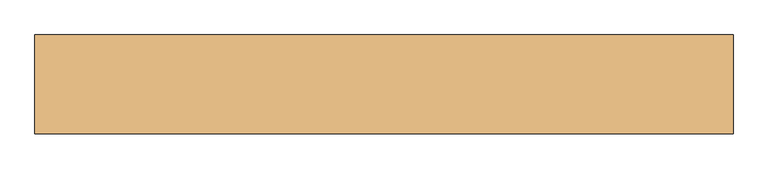
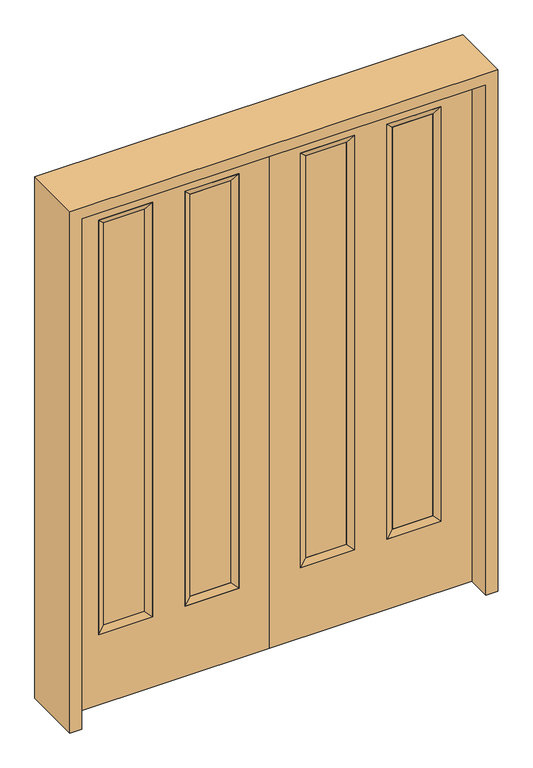
"""IFC4 building model written with IfcOpenShell, lengths in millimetres: door geometry."""

from ifc_helpers import new_model, si_unit, frame, origin, place, context, project, spatial, polyline, outline, extrude, faceted_brep, source, transform, mapped, element, save


def door_18f3f004(model_context):
    return source(origin(), model_context, "Body", "SolidModel", [
        extrude(outline(polyline([(467.614, -12.7039749), (467.614, 14.2875), (620.014, 14.2875), (620.014, -12.7039749), (467.614, -12.7039749)])), frame((0.0, 0.0, 304.8), z_axis=(0.0, 0.0, 1.0), x_axis=(1.0, 0.0, 0.0)), (0.0, 0.0, 1.0), 1600.2),
        extrude(outline(polyline([(141.986, -12.7039749), (141.986, 14.2875), (294.386, 14.2875), (294.386, -12.7039749), (141.986, -12.7039749)])), frame((0.0, 0.0, 304.8), z_axis=(0.0, 0.0, 1.0), x_axis=(1.0, 0.0, 0.0)), (0.0, 0.0, 1.0), 1600.2),
        faceted_brep([(116.586, 22.225, 1930.4), (319.786, 22.225, 1930.4), (294.386, 14.2875, 1905.0), (141.986, 14.2875, 1905.0), (294.386, -12.7039749, 1905.0), (141.986, -12.7039749, 1905.0), (319.786, -22.225, 1930.4), (116.586, -22.225, 1930.4), (319.786, 22.225, 279.4), (294.386, 14.2875, 304.8), (294.386, -12.7039749, 304.8), (319.786, -22.225, 279.4), (116.586, 22.225, 279.4), (141.986, 14.2875, 304.8), (141.986, -12.7039749, 304.8), (116.586, -22.225, 279.4)], [[[0, 1, 2, 3]], [[3, 2, 4, 5]], [[5, 4, 6, 7]], [[7, 6, 1, 0]], [[1, 8, 9, 2]], [[2, 9, 10, 4]], [[4, 10, 11, 6]], [[6, 11, 8, 1]], [[8, 12, 13, 9]], [[9, 13, 14, 10]], [[10, 14, 15, 11]], [[11, 15, 12, 8]], [[12, 0, 3, 13]], [[13, 3, 5, 14]], [[14, 5, 7, 15]], [[15, 7, 0, 12]]]),
        faceted_brep([(620.014, 14.2875, 1905.0), (467.614, 14.2875, 1905.0), (442.214, 22.225, 1930.4), (645.414, 22.225, 1930.4), (620.014, -12.7039749, 1905.0), (467.614, -12.7039749, 1905.0), (645.414, -22.225, 1930.4), (442.214, -22.225, 1930.4), (467.614, 14.2875, 304.8), (442.214, 22.225, 279.4), (467.614, -12.7039749, 304.8), (442.214, -22.225, 279.4), (620.014, 14.2875, 304.8), (645.414, 22.225, 279.4), (620.014, -12.7039749, 304.8), (645.414, -22.225, 279.4)], [[[0, 1, 2, 3]], [[4, 5, 1, 0]], [[6, 7, 5, 4]], [[3, 2, 7, 6]], [[1, 8, 9, 2]], [[5, 10, 8, 1]], [[7, 11, 10, 5]], [[2, 9, 11, 7]], [[8, 12, 13, 9]], [[10, 14, 12, 8]], [[11, 15, 14, 10]], [[9, 13, 15, 11]], [[12, 0, 3, 13]], [[14, 4, 0, 12]], [[15, 6, 4, 14]], [[13, 3, 6, 15]]]),
        extrude(outline(polyline([(0.0, 762.0), (2032.0, 762.0), (2032.0, 0.0), (0.0, 0.0), (0.0, 762.0)]), holes=[polyline([(279.4, 645.414), (279.4, 442.214), (1930.4, 442.214), (1930.4, 645.414), (279.4, 645.414)]), polyline([(279.4, 319.786), (279.4, 116.586), (1930.4, 116.586), (1930.4, 319.786), (279.4, 319.786)])]), frame((0.0, -22.225, 0.0), z_axis=(0.0, 1.0, 0.0), x_axis=(0.0, 0.0, 1.0)), (0.0, 0.0, 1.0), 44.45),
        extrude(outline(polyline([(-467.614, -12.7039749), (-620.014, -12.7039749), (-620.014, 14.2875), (-467.614, 14.2875), (-467.614, -12.7039749)])), frame((0.0, 0.0, 304.8), z_axis=(0.0, 0.0, 1.0), x_axis=(1.0, 0.0, 0.0)), (0.0, 0.0, 1.0), 1600.2),
        extrude(outline(polyline([(-141.986, -12.7039749), (-294.386, -12.7039749), (-294.386, 14.2875), (-141.986, 14.2875), (-141.986, -12.7039749)])), frame((0.0, 0.0, 304.8), z_axis=(0.0, 0.0, 1.0), x_axis=(1.0, 0.0, 0.0)), (0.0, 0.0, 1.0), 1600.2),
        faceted_brep([(-116.586, 22.225, 1930.4), (-141.986, 14.2875, 1905.0), (-294.386, 14.2875, 1905.0), (-319.786, 22.225, 1930.4), (-141.986, -12.7039749, 1905.0), (-294.386, -12.7039749, 1905.0), (-116.586, -22.225, 1930.4), (-319.786, -22.225, 1930.4), (-294.386, 14.2875, 304.8), (-319.786, 22.225, 279.4), (-294.386, -12.7039749, 304.8), (-319.786, -22.225, 279.4), (-141.986, 14.2875, 304.8), (-116.586, 22.225, 279.4), (-141.986, -12.7039749, 304.8), (-116.586, -22.225, 279.4)], [[[0, 1, 2, 3]], [[1, 4, 5, 2]], [[4, 6, 7, 5]], [[6, 0, 3, 7]], [[3, 2, 8, 9]], [[2, 5, 10, 8]], [[5, 7, 11, 10]], [[7, 3, 9, 11]], [[9, 8, 12, 13]], [[8, 10, 14, 12]], [[10, 11, 15, 14]], [[11, 9, 13, 15]], [[13, 12, 1, 0]], [[12, 14, 4, 1]], [[14, 15, 6, 4]], [[15, 13, 0, 6]]]),
        faceted_brep([(-620.014, 14.2875, 1905.0), (-645.414, 22.225, 1930.4), (-442.214, 22.225, 1930.4), (-467.614, 14.2875, 1905.0), (-620.014, -12.7039749, 1905.0), (-467.614, -12.7039749, 1905.0), (-645.414, -22.225, 1930.4), (-442.214, -22.225, 1930.4), (-442.214, 22.225, 279.4), (-467.614, 14.2875, 304.8), (-467.614, -12.7039749, 304.8), (-442.214, -22.225, 279.4), (-645.414, 22.225, 279.4), (-620.014, 14.2875, 304.8), (-620.014, -12.7039749, 304.8), (-645.414, -22.225, 279.4)], [[[0, 1, 2, 3]], [[4, 0, 3, 5]], [[6, 4, 5, 7]], [[1, 6, 7, 2]], [[3, 2, 8, 9]], [[5, 3, 9, 10]], [[7, 5, 10, 11]], [[2, 7, 11, 8]], [[9, 8, 12, 13]], [[10, 9, 13, 14]], [[11, 10, 14, 15]], [[8, 11, 15, 12]], [[13, 12, 1, 0]], [[14, 13, 0, 4]], [[15, 14, 4, 6]], [[12, 15, 6, 1]]]),
        extrude(outline(polyline([(0.0, -762.0), (0.0, 0.0), (2032.0, 0.0), (2032.0, -762.0), (0.0, -762.0)]), holes=[polyline([(279.4, -645.414), (1930.4, -645.414), (1930.4, -442.214), (279.4, -442.214), (279.4, -645.414)]), polyline([(279.4, -319.786), (1930.4, -319.786), (1930.4, -116.586), (279.4, -116.586), (279.4, -319.786)])]), frame((0.0, -22.225, 0.0), z_axis=(0.0, 1.0, 0.0), x_axis=(0.0, 0.0, 1.0)), (0.0, 0.0, 1.0), 44.45),
        extrude(outline(polyline([(0.0, -806.45), (0.0, -762.0), (2032.0, -762.0), (2032.0, 762.0), (0.0, 762.0), (0.0, 806.45), (2076.45, 806.45), (2076.45, -806.45), (0.0, -806.45)])), frame((0.0, -114.3, 0.0), z_axis=(0.0, 1.0, 0.0), x_axis=(0.0, 0.0, 1.0)), (0.0, 0.0, 1.0), 228.6),
    ])


if __name__ == "__main__":
    model = new_model("IFC4")
    model_context = context("Model", 3, world=origin())
    ifc_project = project(units=[si_unit("LENGTHUNIT", "METRE", prefix="MILLI")], contexts=[model_context])
    site = spatial("IfcSite", under=ifc_project)
    building = spatial("IfcBuilding", under=site)
    placement = place(None, origin())
    door_shape = door_18f3f004(model_context)
    element("IfcDoor", 1, at=placement, inside=building, context=model_context, shape_type="MappedRepresentation", body=[
        mapped(door_shape, transform((0.0, 0.0, 0.0), x_axis=(1.0, 0.0, 0.0), y_axis=(0.0, 1.0, 0.0), z_axis=(0.0, 0.0, 1.0))),
    ])
    save(model, "model.ifc")
